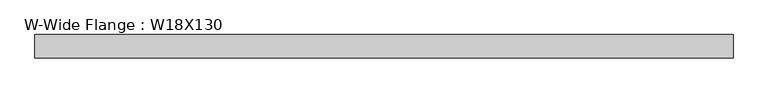
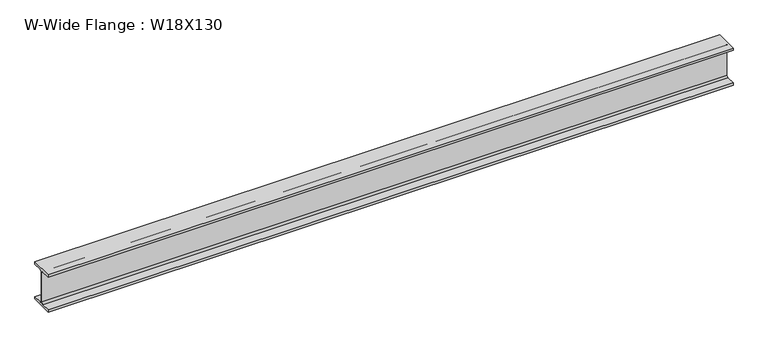
"""IFC4 building model written with IfcOpenShell, lengths in millimetres: beam geometry, W-Wide Flange : W18X130."""

from ifc_helpers import new_model, si_unit, point, frame, frame_2d, origin, place, context, project, spatial, polyline, circle_curve, trimmed, segment, composite_curve, outline, extrude, source, transform, mapped, element, save


def w_wide_flange_w18x130_94041a8c(model_context):
    return source(origin(), model_context, "Body", "SweptSolid", [
        extrude(outline(composite_curve([segment(polyline([(142.24, -214.63), (142.24, -245.11), (-142.24, -245.11), (-142.24, -214.63), (-30.4165, -214.63)]), True, "CONTINUOUS"), segment(trimmed(circle_curve(frame_2d((-30.4165, -192.7225)), 21.9075), [point((-30.4165, -214.63))], [point((-8.509, -192.7225))], True, "CARTESIAN"), True, "CONTINUOUS"), segment(polyline([(-8.509, -192.7225), (-8.509, 192.7225)]), True, "CONTINUOUS"), segment(trimmed(circle_curve(frame_2d((-30.4165, 192.7225)), 21.9075), [point((-8.509, 192.7225))], [point((-30.4165, 214.63))], True, "CARTESIAN"), True, "CONTINUOUS"), segment(polyline([(-30.4165, 214.63), (-142.24, 214.63), (-142.24, 245.11), (142.24, 245.11), (142.24, 214.63), (30.4165, 214.63)]), True, "CONTINUOUS"), segment(trimmed(circle_curve(frame_2d((30.4165, 192.7225)), 21.9075), [point((30.4165, 214.63))], [point((8.509, 192.7225))], True, "CARTESIAN"), True, "CONTINUOUS"), segment(polyline([(8.509, 192.7225), (8.509, -192.7225)]), True, "CONTINUOUS"), segment(trimmed(circle_curve(frame_2d((30.4165, -192.7225)), 21.9075), [point((8.509, -192.7225))], [point((30.4165, -214.63))], True, "CARTESIAN"), True, "CONTINUOUS"), segment(polyline([(30.4165, -214.63), (142.24, -214.63)]), True, "CONTINUOUS")], self_intersect=False)), frame((-4279.9, 0.0, 0.0), z_axis=(1.0, 0.0, 0.0), x_axis=(0.0, 1.0, 0.0)), (0.0, 0.0, 1.0), 8534.4),
    ])


if __name__ == "__main__":
    model = new_model("IFC4")
    model_context = context("Model", 3, world=origin())
    ifc_project = project(units=[si_unit("LENGTHUNIT", "METRE", prefix="MILLI")], contexts=[model_context])
    site = spatial("IfcSite", under=ifc_project)
    building = spatial("IfcBuilding", under=site)
    placement = place(None, origin())
    w_wide_flange_w18x130_shape = w_wide_flange_w18x130_94041a8c(model_context)
    element("IfcBeam", 1, ObjectType="W-Wide Flange : W18X130", at=placement, inside=building, context=model_context, shape_type="MappedRepresentation", body=[
        mapped(w_wide_flange_w18x130_shape, transform((0.0, 0.0, 0.0), x_axis=(1.0, 0.0, 0.0), y_axis=(0.0, 1.0, 0.0), z_axis=(0.0, 0.0, 1.0))),
    ])
    save(model, "model.ifc")
